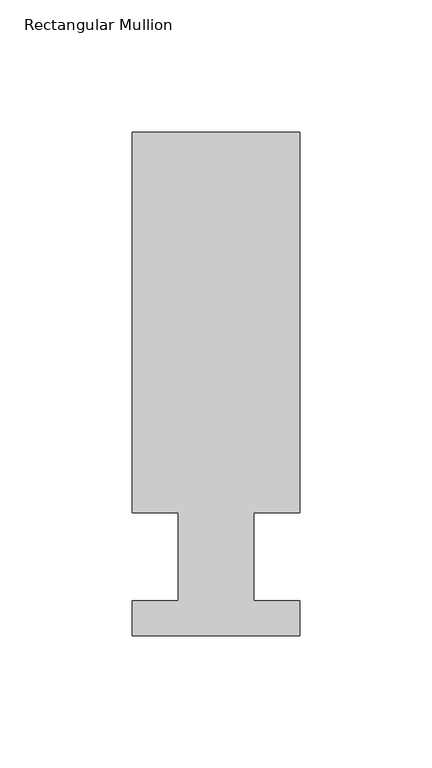
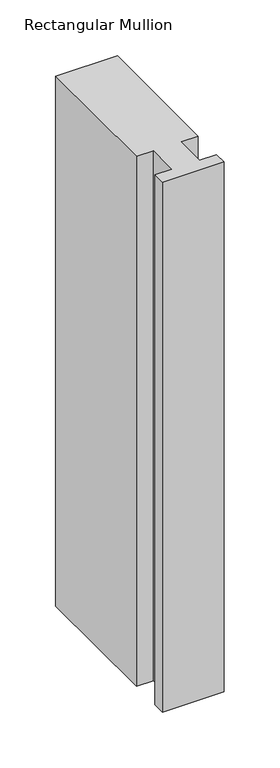
"""IFC4 building model written with IfcOpenShell, lengths in millimetres: member geometry, Rectangular Mullion."""

import ifcopenshell
import ifcopenshell.guid

model = None  # the IFC model being written
_history = None  # IfcOwnerHistory: only IFC2X3 demands one
_inside = {}  # id of a spatial element -> (the spatial element, [elements in it])
_under = {}  # id of a project, library or spatial element -> (it, [spatial elements below it])
_declared = {}  # id of a project -> (the project, [libraries it declares])
_typed = {}  # id of a type object -> (the type object, [elements of that type])
_made_of = {}  # id of a material, layer set ... -> (it, [elements and type objects made of it])


def new_model(schema):
    """Start an empty IFC model of exactly this schema.

    Asked for "IFC4X3", IfcOpenShell would pick the latest addendum, in which some entities
    have other attributes; the version numbers below select the first issue.
    IFC2X3 requires an IfcOwnerHistory on every rooted entity: one is made here for all.
    """
    global model, _history
    if schema == "IFC4X3":
        model = ifcopenshell.file(schema_version=(4, 3, 0, 0))
    else:
        model = ifcopenshell.file(schema=schema)
    _inside.clear()
    _under.clear()
    _declared.clear()
    _typed.clear()
    _made_of.clear()
    _history = None
    if model.schema == "IFC2X3":
        org = make("IfcOrganization", Name="unknown")
        user = make(
            "IfcPersonAndOrganization",
            ThePerson=make("IfcPerson", FamilyName="unknown"),
            TheOrganization=org,
        )
        app = make(
            "IfcApplication",
            ApplicationDeveloper=org,
            Version="unknown",
            ApplicationFullName="unknown",
            ApplicationIdentifier="unknown",
        )
        _history = make(
            "IfcOwnerHistory",
            OwningUser=user,
            OwningApplication=app,
            ChangeAction="ADDED",
            CreationDate=0,
        )
    return model


def make(cls, **values):
    """One entity of the class cls with the attributes given. An attribute that is None is left unset."""
    return model.create_entity(
        cls, **{name: value for name, value in values.items() if value is not None}
    )


def rooted(cls, **values):
    """An entity with a GlobalId (a new one), such as an element, a storey or a relation."""
    return make(cls, GlobalId=ifcopenshell.guid.new(), OwnerHistory=_history, **values)


def si_unit(unit_type, name, prefix=None):
    """IfcSIUnit, for example si_unit("LENGTHUNIT", "METRE", prefix="MILLI")."""
    return make("IfcSIUnit", UnitType=unit_type, Prefix=prefix, Name=name)


def assignment(units):
    """IfcUnitAssignment: the units of a project."""
    return None if units is None else make("IfcUnitAssignment", Units=units)


def point(xyz):
    """IfcCartesianPoint."""
    return None if xyz is None else make("IfcCartesianPoint", Coordinates=xyz)


def direction(xyz):
    """IfcDirection."""
    return None if xyz is None else make("IfcDirection", DirectionRatios=xyz)


def frame(location, z_axis=None, x_axis=None):
    """IfcAxis2Placement3D, a coordinate frame: its origin and axes. An axis left out is left unset."""
    return make(
        "IfcAxis2Placement3D",
        Location=point(location),
        Axis=direction(z_axis),
        RefDirection=direction(x_axis),
    )


def origin():
    """The frame at (0, 0, 0) with its axes left unset."""
    return frame((0.0, 0.0, 0.0))


def place(relative_to, where):
    """IfcLocalPlacement: puts the frame where relative to a parent placement (None: the world)."""
    return make(
        "IfcLocalPlacement", PlacementRelTo=relative_to, RelativePlacement=where
    )


def context(
    kind, dimensions, precision=None, world=None, true_north=None, identifier=None
):
    """IfcGeometricRepresentationContext, for example the 3D "Model" context."""
    return make(
        "IfcGeometricRepresentationContext",
        ContextIdentifier=identifier,
        ContextType=kind,
        CoordinateSpaceDimension=dimensions,
        Precision=precision,
        WorldCoordinateSystem=world,
        TrueNorth=true_north,
    )


def project(units=None, contexts=None):
    """IfcProject with its units and contexts."""
    return rooted(
        "IfcProject",
        Name="project",
        RepresentationContexts=contexts,
        UnitsInContext=assignment(units),
    )


def spatial(cls, under=None, at=None, **own):
    """A site, building, storey or space (cls), placed at a placement, below another one or the project."""
    s = rooted(cls, ObjectPlacement=at, **own)
    if under is not None:
        _under.setdefault(under.id(), (under, []))[1].append(s)
    return s


def polyline(points):
    """IfcPolyline through the points."""
    return make("IfcPolyline", Points=[point(p) for p in points])


def outline(outer, holes=None, kind="AREA"):
    """IfcArbitraryClosedProfileDef: a profile drawn as a closed curve; with holes, ...WithVoids."""
    if holes is None:
        return make("IfcArbitraryClosedProfileDef", ProfileType=kind, OuterCurve=outer)
    return make(
        "IfcArbitraryProfileDefWithVoids",
        ProfileType=kind,
        OuterCurve=outer,
        InnerCurves=holes,
    )


def extrude(swept, where, along, depth):
    """IfcExtrudedAreaSolid: the profile swept, set in the frame where, extruded along a direction by depth."""
    return make(
        "IfcExtrudedAreaSolid",
        SweptArea=swept,
        Position=where,
        ExtrudedDirection=direction(along),
        Depth=depth,
    )


def shape(context_of_items, identifier, shape_type, items):
    """IfcShapeRepresentation: the items that make up one representation, for example the "Body"."""
    return make(
        "IfcShapeRepresentation",
        ContextOfItems=context_of_items,
        RepresentationIdentifier=identifier,
        RepresentationType=shape_type,
        Items=items,
    )


def source(mapping_origin, context_of_items, identifier, shape_type, items):
    """IfcRepresentationMap: a shape defined once, which mapped items show again and again."""
    return make(
        "IfcRepresentationMap",
        MappingOrigin=mapping_origin,
        MappedRepresentation=shape(context_of_items, identifier, shape_type, items),
    )


def transform(
    local_origin,
    x_axis=None,
    y_axis=None,
    z_axis=None,
    scale=None,
    scale2=None,
    scale3=None,
    uniform=True,
):
    """IfcCartesianTransformationOperator3D, or its non-uniform kind. x_axis, y_axis, z_axis: its Axis1, 2, 3."""
    if uniform:
        return make(
            "IfcCartesianTransformationOperator3D",
            Axis1=direction(x_axis),
            Axis2=direction(y_axis),
            LocalOrigin=point(local_origin),
            Scale=scale,
            Axis3=direction(z_axis),
        )
    return make(
        "IfcCartesianTransformationOperator3DnonUniform",
        Axis1=direction(x_axis),
        Axis2=direction(y_axis),
        LocalOrigin=point(local_origin),
        Scale=scale,
        Axis3=direction(z_axis),
        Scale2=scale2,
        Scale3=scale3,
    )


def mapped(mapping_source, mapping_target):
    """IfcMappedItem: shows the shape of a source again, moved by a transform."""
    return make(
        "IfcMappedItem", MappingSource=mapping_source, MappingTarget=mapping_target
    )


def made_of(thing, what):
    """Note that an element or type object is made of a material, layer set ...; save() writes the relation."""
    if what is not None:
        _made_of.setdefault(what.id(), (what, []))[1].append(thing)
    return thing


def element(
    cls,
    number,
    at=None,
    inside=None,
    cuts=None,
    type_object=None,
    material=None,
    context=None,
    identifier="Body",
    shape_type=None,
    held_by="IfcProductDefinitionShape",
    body=None,
    shapes=None,
    **own,
):
    """One element of the class cls, such as IfcWall. Its Tag is "e" and its number.

    at: its placement. inside: the storey or other place that contains it. cuts: it is an
    opening in that element (IfcRelVoidsElement). A single representation is given by context,
    identifier, shape_type and body (its items); several are given by shapes. held_by: the class
    of the entity that holds the representations. save() writes the other relations.
    """
    e = rooted(cls, Tag="e%d" % number, ObjectPlacement=at, **own)
    if body is not None:
        shapes = [shape(context, identifier, shape_type, body)]
    if shapes is not None:
        e.Representation = make(held_by, Representations=shapes)
    if inside is not None:
        _inside.setdefault(inside.id(), (inside, []))[1].append(e)
    if cuts is not None:
        rooted(
            "IfcRelVoidsElement", RelatingBuildingElement=cuts, RelatedOpeningElement=e
        )
    if type_object is not None:
        _typed.setdefault(type_object.id(), (type_object, []))[1].append(e)
    return made_of(e, material)


def aggregate(whole, parts):
    """IfcRelAggregates: a whole, such as a stair, and the parts it consists of."""
    return rooted("IfcRelAggregates", RelatingObject=whole, RelatedObjects=parts)


def save(model, path):
    """Write the relations noted so far, then the file.

    IfcRelAggregates (storeys below a building ...), IfcRelContainedInSpatialStructure (elements
    in a storey), IfcRelDefinesByType, IfcRelAssociatesMaterial and IfcRelDeclares: one each for
    every whole, place, type object, material and project.
    """
    for whole, parts in _under.values():
        aggregate(whole, parts)
    for where, things in _inside.values():
        rooted(
            "IfcRelContainedInSpatialStructure",
            RelatedElements=things,
            RelatingStructure=where,
        )
    for kind, things in _typed.values():
        rooted("IfcRelDefinesByType", RelatedObjects=things, RelatingType=kind)
    for what, things in _made_of.values():
        rooted("IfcRelAssociatesMaterial", RelatedObjects=things, RelatingMaterial=what)
    for by, libraries in _declared.values():
        rooted("IfcRelDeclares", RelatingContext=by, RelatedDefinitions=libraries)
    model.write(path)


def rectangular_mullion_2a5e5cee(model_context):
    return source(origin(), model_context, "Body", "SweptSolid", [
        extrude(outline(polyline([(-63.5000004, 190.7881316), (-4e-07, 190.7881316), (-4e-07, 46.7447316), (-17.4625004, 46.7447316), (-17.4625004, 13.3945316), (0.0, 13.3945316), (0.0, 0.2119316), (-63.5, 0.2119316), (-63.5, 13.3945316), (-46.0248005, 13.3945316), (-46.0248005, 46.7447316), (-63.5000004, 46.7447316), (-63.5000004, 190.7881316)])), frame((0.0, 0.0, -577.8499993), z_axis=(0.0, 0.0, 1.0), x_axis=(1.0, 0.0, 0.0)), (0.0, 0.0, 1.0), 577.8499993),
    ])


if __name__ == "__main__":
    model = new_model("IFC4")
    model_context = context("Model", 3, world=origin())
    ifc_project = project(units=[si_unit("LENGTHUNIT", "METRE", prefix="MILLI")], contexts=[model_context])
    site = spatial("IfcSite", under=ifc_project)
    building = spatial("IfcBuilding", under=site)
    placement = place(None, origin())
    rectangular_mullion_shape = rectangular_mullion_2a5e5cee(model_context)
    element("IfcMember", 1, ObjectType="Rectangular Mullion", at=placement, inside=building, context=model_context, shape_type="MappedRepresentation", body=[
        mapped(rectangular_mullion_shape, transform((0.0, 0.0, 0.0), x_axis=(1.0, 0.0, 0.0), y_axis=(0.0, 1.0, 0.0), z_axis=(0.0, 0.0, 1.0))),
    ])
    save(model, "model.ifc")
